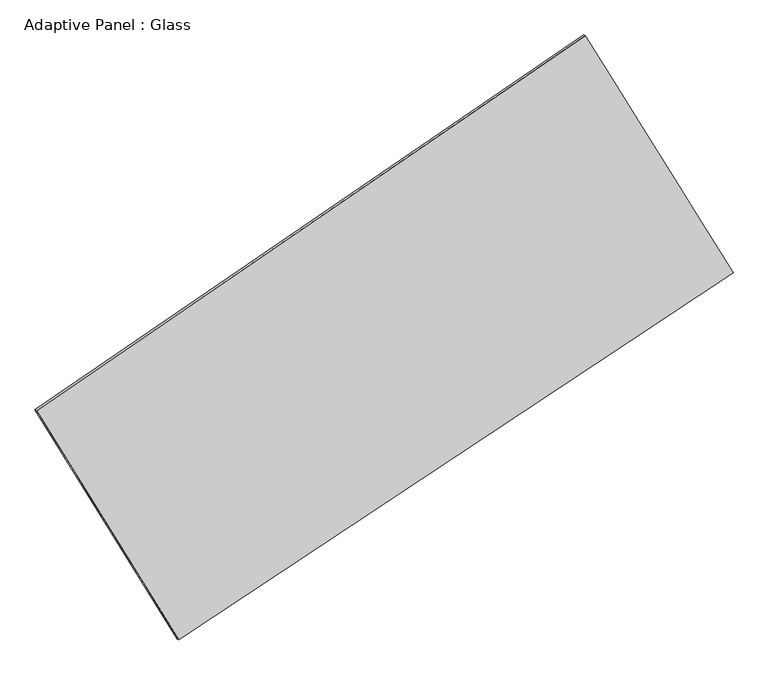
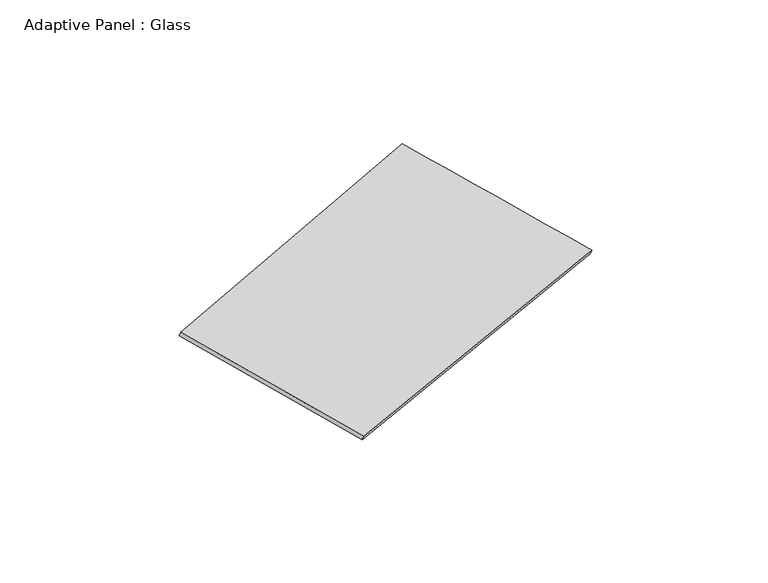
"""IFC4 building model written with IfcOpenShell, lengths in millimetres: plate geometry, Adaptive Panel : Glass."""

from ifc_helpers import new_model, si_unit, frame, origin, place, context, project, spatial, source, transform, mapped, element, save
from ifc_brep_helpers import plane_surface, spline_surface, advanced_brep


def adaptive_panel_glass_0542c482(model_context):
    return source(origin(), model_context, "Body", "AdvancedBrep", [
        advanced_brep(
        [(1107.6861306, 2547.9338844, 678.9951308), (-3671.4065491, -717.6754046, 1727.8994509), (-3656.7401932, -724.0554981, 1775.2723589), (1122.3524865, 2541.5537909, 726.3680388), (-2433.347511, -2712.6421155, 1066.6381214), (-2418.6811552, -2719.0222089, 1114.0110294), (2393.7773513, 482.1350628, 11.5898172), (2408.4437072, 475.7549694, 58.9627252)],
        [
            (0, 1),
            (1, 2),
            (2, 3),
            (3, 0),
            (1, 4),
            (4, 5),
            (5, 2),
            (4, 6),
            (6, 7),
            (7, 5),
            (6, 0),
            (3, 7),
        ],
        [
            plane_surface(frame((-1281.8602092, 915.1292399, 1203.4472909), z_axis=(-0.5032172246193706, 0.822039093848775, 0.26650357039008465), x_axis=(-0.8124216310436099, -0.5551370945733718, 0.17830843962380424))),
            plane_surface(frame((-3052.3770301, -1715.15876, 1397.2687861), z_axis=(-0.8094853483400178, -0.56041117332399, 0.17513648288254727), x_axis=(0.5075569007163322, -0.8178601259725352, -0.27109187903627824))),
            plane_surface(frame((-19.7850799, -1115.2535263, 539.1139693), z_axis=(0.4915566769976828, -0.8298810753259328, -0.2639496810281642), x_axis=(0.8203885506324768, 0.5429647447785946, -0.17930954218518277))),
            plane_surface(frame((1750.731741, 1515.0344736, 345.292474), z_axis=(0.8094324764566592, 0.5604962298361332, -0.17510865882851362), x_axis=(-0.5096885197793817, 0.8186930495914969, 0.2644982104961729))),
            spline_surface(1, 1, [[(-3656.7401932, -724.0554981, 1775.2723589), (1122.3524865, 2541.5537909, 726.3680388)], [(-2418.6811552, -2719.0222089, 1114.0110294), (2408.4437072, 475.7549694, 58.9627252)]], [2, 2], [2, 2], [0.0, 1.0], [0.0, 1.0]),
            spline_surface(1, 1, [[(2393.7773513, 482.1350628, 11.5898172), (1107.6861306, 2547.9338844, 678.9951308)], [(-2433.347511, -2712.6421155, 1066.6381214), (-3671.4065491, -717.6754046, 1727.8994509)]], [2, 2], [2, 2], [0.0, 1.0], [0.0, 1.0]),
        ],
        [
            (0, [[1, 2, 3, 4]]),
            (1, [[5, 6, 7, -2]]),
            (2, [[8, 9, 10, -6]]),
            (3, [[11, -4, 12, -9]]),
            (4, [[-3, -7, -10, -12]]),
            (5, [[-11, -8, -5, -1]]),
        ],
    ),
    ])


if __name__ == "__main__":
    model = new_model("IFC4")
    model_context = context("Model", 3, world=origin())
    ifc_project = project(units=[si_unit("LENGTHUNIT", "METRE", prefix="MILLI")], contexts=[model_context])
    site = spatial("IfcSite", under=ifc_project)
    building = spatial("IfcBuilding", under=site)
    placement = place(None, origin())
    adaptive_panel_glass_shape = adaptive_panel_glass_0542c482(model_context)
    element("IfcPlate", 1, ObjectType="Adaptive Panel : Glass", at=placement, inside=building, context=model_context, shape_type="MappedRepresentation", body=[
        mapped(adaptive_panel_glass_shape, transform((0.0, 0.0, 0.0), x_axis=(1.0, 0.0, 0.0), y_axis=(0.0, 1.0, 0.0), z_axis=(0.0, 0.0, 1.0))),
    ])
    save(model, "model.ifc")
